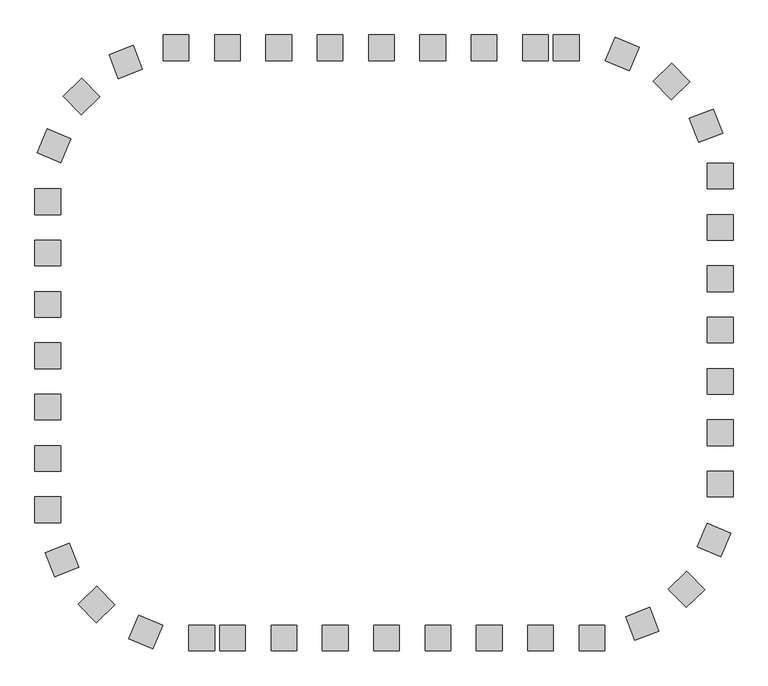
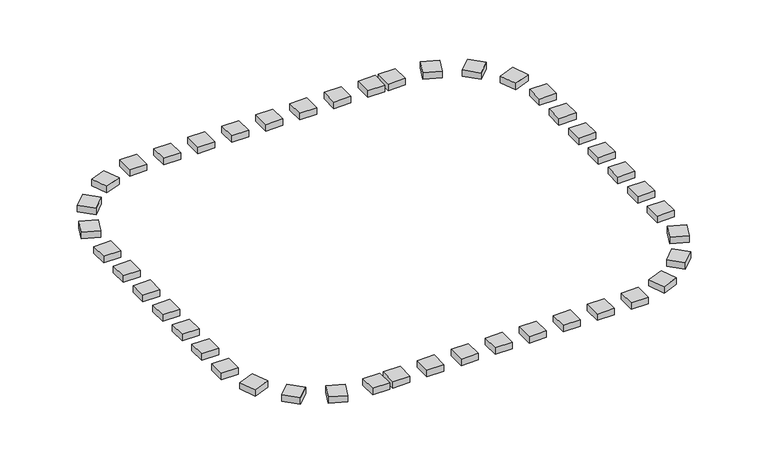
"""IFC4 building model written with IfcOpenShell, lengths in millimetres: railing geometry."""

from ifc_helpers import new_model, si_unit, origin, origin_with_axes, place, context, project, spatial, polyline, outline, extrude, source, transform, mapped, element, save


def railing_e2286d1b(model_context):
    return source(origin(), model_context, "Body", "SweptSolid", [
        extrude(outline(polyline([(-57457.9798567, -165970.9184424), (-57457.9798567, -166470.9184424), (-57957.9798567, -166470.9184424), (-57957.9798567, -165970.9184424), (-57457.9798567, -165970.9184424)])), origin_with_axes(), (0.0, 0.0, 1.0), 200.0),
        extrude(outline(polyline([(-58457.9798567, -165970.9184424), (-58457.9798567, -166470.9184424), (-58957.9798567, -166470.9184424), (-58957.9798567, -165970.9184424), (-58457.9798567, -165970.9184424)])), origin_with_axes(), (0.0, 0.0, 1.0), 200.0),
        extrude(outline(polyline([(-59457.9798567, -165970.9184424), (-59457.9798567, -166470.9184424), (-59957.9798567, -166470.9184424), (-59957.9798567, -165970.9184424), (-59457.9798567, -165970.9184424)])), origin_with_axes(), (0.0, 0.0, 1.0), 200.0),
        extrude(outline(polyline([(-60457.9798567, -165970.9184424), (-60457.9798567, -166470.9184424), (-60957.9798567, -166470.9184424), (-60957.9798567, -165970.9184424), (-60457.9798567, -165970.9184424)])), origin_with_axes(), (0.0, 0.0, 1.0), 200.0),
        extrude(outline(polyline([(-61457.9798567, -165970.9184424), (-61457.9798567, -166470.9184424), (-61957.9798567, -166470.9184424), (-61957.9798567, -165970.9184424), (-61457.9798567, -165970.9184424)])), origin_with_axes(), (0.0, 0.0, 1.0), 200.0),
        extrude(outline(polyline([(-62457.9798567, -165970.9184424), (-62457.9798567, -166470.9184424), (-62957.9798567, -166470.9184424), (-62957.9798567, -165970.9184424), (-62457.9798567, -165970.9184424)])), origin_with_axes(), (0.0, 0.0, 1.0), 200.0),
        extrude(outline(polyline([(-63457.9798567, -165970.9184424), (-63457.9798567, -166470.9184424), (-63957.9798567, -166470.9184424), (-63957.9798567, -165970.9184424), (-63457.9798567, -165970.9184424)])), origin_with_axes(), (0.0, 0.0, 1.0), 200.0),
        extrude(outline(polyline([(-65545.0531201, -166174.8011845), (-65363.8742429, -166640.8207275), (-65829.8937858, -166821.9996047), (-66011.0726631, -166355.9800617), (-65545.0531201, -166174.8011845)])), origin_with_axes(), (0.0, 0.0, 1.0), 200.0),
        extrude(outline(polyline([(-66548.0999847, -166818.8501697), (-66199.74663, -167177.5282151), (-66558.4246755, -167525.8815698), (-66906.7780302, -167167.2035244), (-66548.0999847, -166818.8501697)])), origin_with_axes(), (0.0, 0.0, 1.0), 200.0),
        extrude(outline(polyline([(-67221.1628387, -167802.6634155), (-66760.6323417, -167997.3725866), (-66955.3415128, -168457.9030836), (-67415.8720098, -168263.1939125), (-67221.1628387, -167802.6634155)])), origin_with_axes(), (0.0, 0.0, 1.0), 200.0),
        extrude(outline(polyline([(-67457.9798567, -169970.9184424), (-66957.9798567, -169970.9184424), (-66957.9798567, -170470.9184424), (-67457.9798567, -170470.9184424), (-67457.9798567, -169970.9184424)])), origin_with_axes(), (0.0, 0.0, 1.0), 200.0),
        extrude(outline(polyline([(-67457.9798567, -170970.9184424), (-66957.9798567, -170970.9184424), (-66957.9798567, -171470.9184424), (-67457.9798567, -171470.9184424), (-67457.9798567, -170970.9184424)])), origin_with_axes(), (0.0, 0.0, 1.0), 200.0),
        extrude(outline(polyline([(-67457.9798567, -171970.9184424), (-66957.9798567, -171970.9184424), (-66957.9798567, -172470.9184424), (-67457.9798567, -172470.9184424), (-67457.9798567, -171970.9184424)])), origin_with_axes(), (0.0, 0.0, 1.0), 200.0),
        extrude(outline(polyline([(-67457.9798567, -172970.9184424), (-66957.9798567, -172970.9184424), (-66957.9798567, -173470.9184424), (-67457.9798567, -173470.9184424), (-67457.9798567, -172970.9184424)])), origin_with_axes(), (0.0, 0.0, 1.0), 200.0),
        extrude(outline(polyline([(-67457.9798567, -173970.9184424), (-66957.9798567, -173970.9184424), (-66957.9798567, -174470.9184424), (-67457.9798567, -174470.9184424), (-67457.9798567, -173970.9184424)])), origin_with_axes(), (0.0, 0.0, 1.0), 200.0),
        extrude(outline(polyline([(-67254.0971146, -176057.9917058), (-66788.0775716, -175876.8128286), (-66606.8986944, -176342.8323716), (-67072.9182373, -176524.0112488), (-67254.0971146, -176057.9917058)])), origin_with_axes(), (0.0, 0.0, 1.0), 200.0),
        extrude(outline(polyline([(-66610.0481294, -177061.0385704), (-66251.3700839, -176712.6852157), (-65903.0167292, -177071.3632612), (-66261.6947747, -177419.7166159), (-66610.0481294, -177061.0385704)])), origin_with_axes(), (0.0, 0.0, 1.0), 200.0),
        extrude(outline(polyline([(-65626.2348836, -177734.1014244), (-65431.5257124, -177273.5709274), (-64970.9952154, -177468.2800985), (-65165.7043866, -177928.8105955), (-65626.2348836, -177734.1014244)])), origin_with_axes(), (0.0, 0.0, 1.0), 200.0),
        extrude(outline(polyline([(-63857.9798567, -177970.9184424), (-63857.9798567, -177470.9184424), (-63357.9798567, -177470.9184424), (-63357.9798567, -177970.9184424), (-63857.9798567, -177970.9184424)])), origin_with_axes(), (0.0, 0.0, 1.0), 200.0),
        extrude(outline(polyline([(-62857.9798567, -177970.9184424), (-62857.9798567, -177470.9184424), (-62357.9798567, -177470.9184424), (-62357.9798567, -177970.9184424), (-62857.9798567, -177970.9184424)])), origin_with_axes(), (0.0, 0.0, 1.0), 200.0),
        extrude(outline(polyline([(-61857.9798567, -177970.9184424), (-61857.9798567, -177470.9184424), (-61357.9798567, -177470.9184424), (-61357.9798567, -177970.9184424), (-61857.9798567, -177970.9184424)])), origin_with_axes(), (0.0, 0.0, 1.0), 200.0),
        extrude(outline(polyline([(-60857.9798567, -177970.9184424), (-60857.9798567, -177470.9184424), (-60357.9798567, -177470.9184424), (-60357.9798567, -177970.9184424), (-60857.9798567, -177970.9184424)])), origin_with_axes(), (0.0, 0.0, 1.0), 200.0),
        extrude(outline(polyline([(-59857.9798567, -177970.9184424), (-59857.9798567, -177470.9184424), (-59357.9798567, -177470.9184424), (-59357.9798567, -177970.9184424), (-59857.9798567, -177970.9184424)])), origin_with_axes(), (0.0, 0.0, 1.0), 200.0),
        extrude(outline(polyline([(-58857.9798567, -177970.9184424), (-58857.9798567, -177470.9184424), (-58357.9798567, -177470.9184424), (-58357.9798567, -177970.9184424), (-58857.9798567, -177970.9184424)])), origin_with_axes(), (0.0, 0.0, 1.0), 200.0),
        extrude(outline(polyline([(-57857.9798567, -177970.9184424), (-57857.9798567, -177470.9184424), (-57357.9798567, -177470.9184424), (-57357.9798567, -177970.9184424), (-57857.9798567, -177970.9184424)])), origin_with_axes(), (0.0, 0.0, 1.0), 200.0),
        extrude(outline(polyline([(-55770.9065932, -177767.0357003), (-55952.0854705, -177301.0161573), (-55486.0659275, -177119.8372801), (-55304.8870503, -177585.856823), (-55770.9065932, -177767.0357003)])), origin_with_axes(), (0.0, 0.0, 1.0), 200.0),
        extrude(outline(polyline([(-54767.8597286, -177122.9867151), (-55116.2130833, -176764.3086696), (-54757.5350379, -176415.955315), (-54409.1816832, -176774.6333604), (-54767.8597286, -177122.9867151)])), origin_with_axes(), (0.0, 0.0, 1.0), 200.0),
        extrude(outline(polyline([(-54094.7968747, -176139.1734693), (-54555.3273717, -175944.4642982), (-54360.6182005, -175483.9338012), (-53900.0877035, -175678.6429723), (-54094.7968747, -176139.1734693)])), origin_with_axes(), (0.0, 0.0, 1.0), 200.0),
        extrude(outline(polyline([(-53857.9798567, -173970.9184424), (-54357.9798567, -173970.9184424), (-54357.9798567, -173470.9184424), (-53857.9798567, -173470.9184424), (-53857.9798567, -173970.9184424)])), origin_with_axes(), (0.0, 0.0, 1.0), 200.0),
        extrude(outline(polyline([(-53857.9798567, -172970.9184424), (-54357.9798567, -172970.9184424), (-54357.9798567, -172470.9184424), (-53857.9798567, -172470.9184424), (-53857.9798567, -172970.9184424)])), origin_with_axes(), (0.0, 0.0, 1.0), 200.0),
        extrude(outline(polyline([(-53857.9798567, -171970.9184424), (-54357.9798567, -171970.9184424), (-54357.9798567, -171470.9184424), (-53857.9798567, -171470.9184424), (-53857.9798567, -171970.9184424)])), origin_with_axes(), (0.0, 0.0, 1.0), 200.0),
        extrude(outline(polyline([(-53857.9798567, -170970.9184424), (-54357.9798567, -170970.9184424), (-54357.9798567, -170470.9184424), (-53857.9798567, -170470.9184424), (-53857.9798567, -170970.9184424)])), origin_with_axes(), (0.0, 0.0, 1.0), 200.0),
        extrude(outline(polyline([(-53857.9798567, -169970.9184424), (-54357.9798567, -169970.9184424), (-54357.9798567, -169470.9184424), (-53857.9798567, -169470.9184424), (-53857.9798567, -169970.9184424)])), origin_with_axes(), (0.0, 0.0, 1.0), 200.0),
        extrude(outline(polyline([(-54061.8625988, -167883.845179), (-54527.8821418, -168065.0240562), (-54709.061019, -167599.0045132), (-54243.041476, -167417.825636), (-54061.8625988, -167883.845179)])), origin_with_axes(), (0.0, 0.0, 1.0), 200.0),
        extrude(outline(polyline([(-54705.911584, -166880.7983143), (-55064.5896294, -167229.151669), (-55412.9429841, -166870.4736236), (-55054.2649386, -166522.1202689), (-54705.911584, -166880.7983143)])), origin_with_axes(), (0.0, 0.0, 1.0), 200.0),
        extrude(outline(polyline([(-55689.7248297, -166207.7354604), (-55884.4340009, -166668.2659574), (-56344.9644979, -166473.5567862), (-56150.2553268, -166013.0262892), (-55689.7248297, -166207.7354604)])), origin_with_axes(), (0.0, 0.0, 1.0), 200.0),
        extrude(outline(polyline([(-56857.9798567, -165970.9184424), (-56857.9798567, -166470.9184424), (-57357.9798567, -166470.9184424), (-57357.9798567, -165970.9184424), (-56857.9798567, -165970.9184424)])), origin_with_axes(), (0.0, 0.0, 1.0), 200.0),
        extrude(outline(polyline([(-64457.9798567, -165970.9184424), (-64457.9798567, -166470.9184424), (-64957.9798567, -166470.9184424), (-64957.9798567, -165970.9184424), (-64457.9798567, -165970.9184424)])), origin_with_axes(), (0.0, 0.0, 1.0), 200.0),
        extrude(outline(polyline([(-67457.9798567, -168970.9184424), (-66957.9798567, -168970.9184424), (-66957.9798567, -169470.9184424), (-67457.9798567, -169470.9184424), (-67457.9798567, -168970.9184424)])), origin_with_axes(), (0.0, 0.0, 1.0), 200.0),
        extrude(outline(polyline([(-67457.9798567, -174970.9184424), (-66957.9798567, -174970.9184424), (-66957.9798567, -175470.9184424), (-67457.9798567, -175470.9184424), (-67457.9798567, -174970.9184424)])), origin_with_axes(), (0.0, 0.0, 1.0), 200.0),
        extrude(outline(polyline([(-64457.9798567, -177970.9184424), (-64457.9798567, -177470.9184424), (-63957.9798567, -177470.9184424), (-63957.9798567, -177970.9184424), (-64457.9798567, -177970.9184424)])), origin_with_axes(), (0.0, 0.0, 1.0), 200.0),
        extrude(outline(polyline([(-56857.9798567, -177970.9184424), (-56857.9798567, -177470.9184424), (-56357.9798567, -177470.9184424), (-56357.9798567, -177970.9184424), (-56857.9798567, -177970.9184424)])), origin_with_axes(), (0.0, 0.0, 1.0), 200.0),
        extrude(outline(polyline([(-53857.9798567, -174970.9184424), (-54357.9798567, -174970.9184424), (-54357.9798567, -174470.9184424), (-53857.9798567, -174470.9184424), (-53857.9798567, -174970.9184424)])), origin_with_axes(), (0.0, 0.0, 1.0), 200.0),
        extrude(outline(polyline([(-53857.9798567, -168970.9184424), (-54357.9798567, -168970.9184424), (-54357.9798567, -168470.9184424), (-53857.9798567, -168470.9184424), (-53857.9798567, -168970.9184424)])), origin_with_axes(), (0.0, 0.0, 1.0), 200.0),
    ])


if __name__ == "__main__":
    model = new_model("IFC4")
    model_context = context("Model", 3, world=origin())
    ifc_project = project(units=[si_unit("LENGTHUNIT", "METRE", prefix="MILLI")], contexts=[model_context])
    site = spatial("IfcSite", under=ifc_project)
    building = spatial("IfcBuilding", under=site)
    placement = place(None, origin())
    railing_shape = railing_e2286d1b(model_context)
    element("IfcRailing", 1, at=placement, inside=building, context=model_context, shape_type="MappedRepresentation", body=[
        mapped(railing_shape, transform((0.0, 0.0, 0.0), x_axis=(1.0, 0.0, 0.0), y_axis=(0.0, 1.0, 0.0), z_axis=(0.0, 0.0, 1.0))),
    ])
    save(model, "model.ifc")
